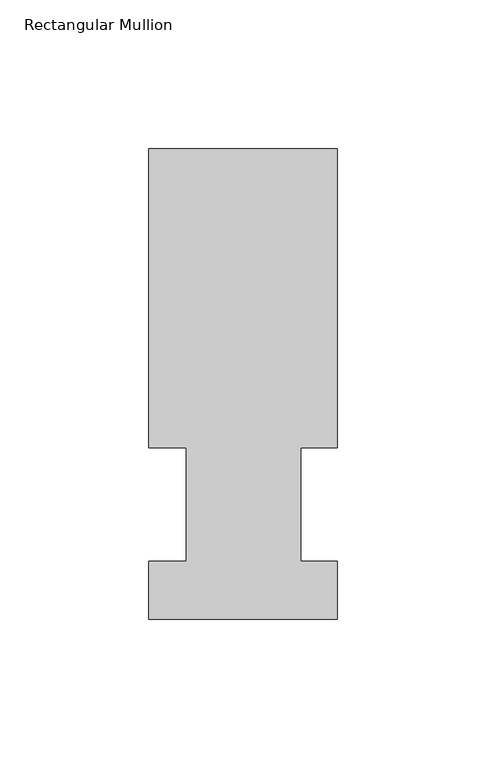
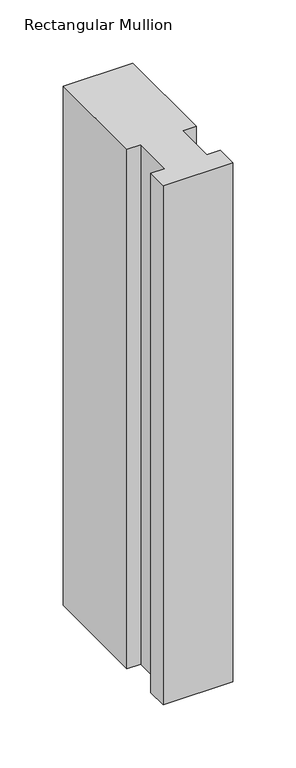
"""IFC4 building model written with IfcOpenShell, lengths in millimetres: member geometry, Rectangular Mullion."""

from ifc_helpers import new_model, si_unit, frame, origin, place, context, project, spatial, polyline, outline, extrude, source, transform, mapped, element, save


def rectangular_mullion_ff0f4edc(model_context):
    return source(origin(), model_context, "Body", "SweptSolid", [
        extrude(outline(polyline([(-63.5, 57.6460937), (-63.5, 158.3316937), (0.0, 158.3316937), (0.0, 57.6460937), (-12.3418395, 57.6460937), (-12.3418395, 19.5460937), (0.0, 19.5460937), (0.0, 0.0134937), (-63.5, 0.0134937), (-63.5, 19.5460937), (-50.8, 19.5460937), (-50.8, 57.6460937), (-63.5, 57.6460937)])), frame((0.0, 0.0, -501.65), z_axis=(0.0, 0.0, 1.0), x_axis=(1.0, 0.0, 0.0)), (0.0, 0.0, 1.0), 501.65),
    ])


if __name__ == "__main__":
    model = new_model("IFC4")
    model_context = context("Model", 3, world=origin())
    ifc_project = project(units=[si_unit("LENGTHUNIT", "METRE", prefix="MILLI")], contexts=[model_context])
    site = spatial("IfcSite", under=ifc_project)
    building = spatial("IfcBuilding", under=site)
    placement = place(None, origin())
    rectangular_mullion_shape = rectangular_mullion_ff0f4edc(model_context)
    element("IfcMember", 1, ObjectType="Rectangular Mullion", at=placement, inside=building, context=model_context, shape_type="MappedRepresentation", body=[
        mapped(rectangular_mullion_shape, transform((0.0, 0.0, 0.0), x_axis=(1.0, 0.0, 0.0), y_axis=(0.0, 1.0, 0.0), z_axis=(0.0, 0.0, 1.0))),
    ])
    save(model, "model.ifc")
